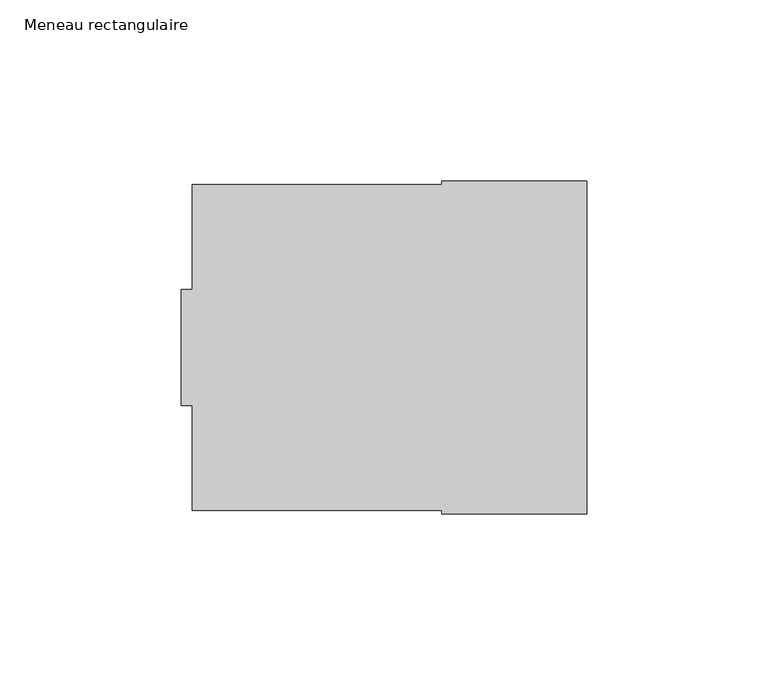
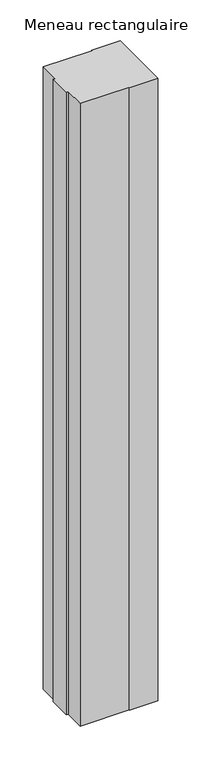
"""IFC4 building model written with IfcOpenShell, lengths in millimetres: member geometry, Meneau rectangulaire."""

from ifc_helpers import new_model, si_unit, frame, origin, place, context, project, spatial, polyline, outline, extrude, source, transform, mapped, element, save


def meneau_rectangulaire_a2ca6ed9(model_context):
    return source(origin(), model_context, "Body", "SweptSolid", [
        extrude(outline(polyline([(-109.0, 16.0), (-109.0, 45.0), (-40.0, 45.0), (-40.0, 46.0), (0.0, 46.0), (0.0, -46.0), (-40.0, -46.0), (-40.0, -45.0), (-109.0, -45.0), (-109.0, -16.0), (-112.0, -16.0), (-112.0, 16.0), (-109.0, 16.0)])), frame((0.0, 0.0, -930.0), z_axis=(0.0, 0.0, 1.0), x_axis=(1.0, 0.0, 0.0)), (0.0, 0.0, 1.0), 930.0),
    ])


if __name__ == "__main__":
    model = new_model("IFC4")
    model_context = context("Model", 3, world=origin())
    ifc_project = project(units=[si_unit("LENGTHUNIT", "METRE", prefix="MILLI")], contexts=[model_context])
    site = spatial("IfcSite", under=ifc_project)
    building = spatial("IfcBuilding", under=site)
    placement = place(None, origin())
    meneau_rectangulaire_shape = meneau_rectangulaire_a2ca6ed9(model_context)
    element("IfcMember", 1, ObjectType="Meneau rectangulaire", at=placement, inside=building, context=model_context, shape_type="MappedRepresentation", body=[
        mapped(meneau_rectangulaire_shape, transform((0.0, 0.0, 0.0), x_axis=(1.0, 0.0, 0.0), y_axis=(0.0, 1.0, 0.0), z_axis=(0.0, 0.0, 1.0))),
    ])
    save(model, "model.ifc")
